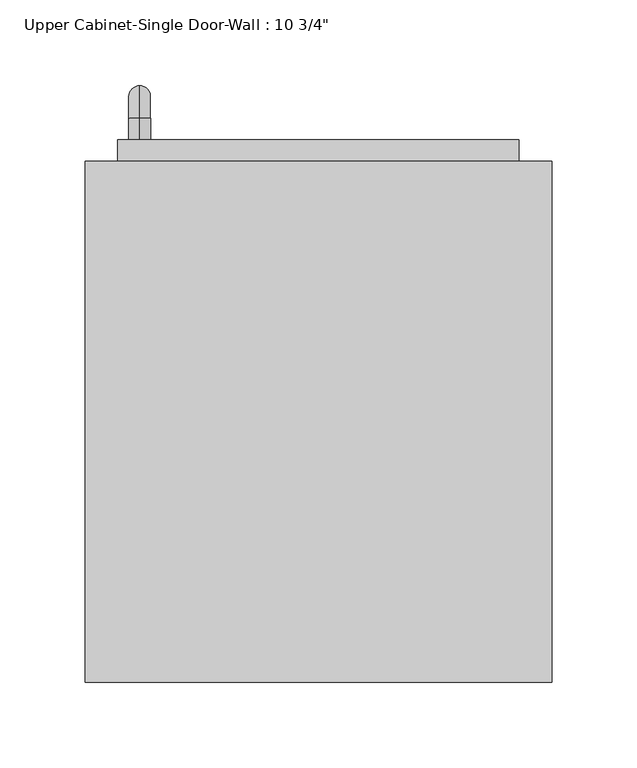
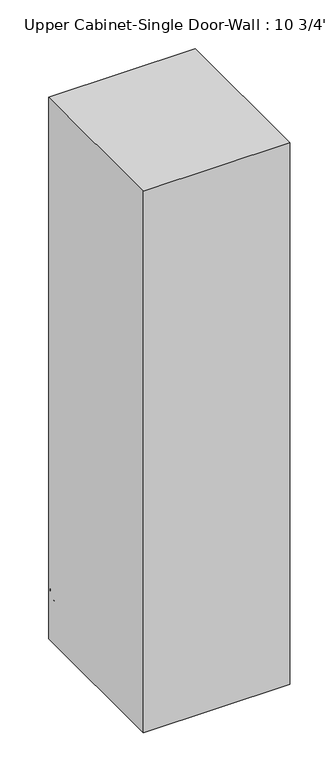
"""IFC4 building model written with IfcOpenShell, lengths in millimetres: furniture geometry."""

from ifc_helpers import new_model, si_unit, point, frame, origin, place, context, project, spatial, polyline, circle_curve, ellipse_curve, trimmed, outline, extrude, faceted_brep, source, transform, mapped, element, save
from ifc_brep_helpers import plane_surface, cylinder_surface, revolved_surface, advanced_brep


def furniture_6f75f09c(model_context):
    return source(origin(), model_context, "Body", "SolidModel", [
        faceted_brep([(-106.7538372, 53.975, 2133.6), (-106.7538372, 53.975, 1066.8), (166.2961628, 53.975, 1066.8), (166.2961628, 53.975, 2133.6), (-106.7538372, 358.775, 2133.6), (166.2961628, 358.775, 2133.6), (166.2961628, 358.775, 1066.8), (-106.7538372, 358.775, 1066.8), (-87.7038372, 358.775, 2114.55), (-87.7038372, 358.775, 1085.85), (147.2461628, 358.775, 1085.85), (147.2461628, 358.775, 2114.55), (147.2461628, 73.025, 2114.55), (-87.7038372, 73.025, 2114.55), (147.2461628, 73.025, 1085.85), (-87.7038372, 73.025, 1085.85)], [[[0, 1, 2, 3]], [[4, 5, 6, 7], [8, 9, 10, 11]], [[1, 0, 4, 7]], [[2, 1, 7, 6]], [[3, 2, 6, 5]], [[0, 3, 5, 4]], [[8, 11, 12, 13]], [[11, 10, 14, 12]], [[10, 9, 15, 14]], [[9, 8, 13, 15]], [[13, 12, 14, 15]]]),
        advanced_brep(
        [(-75.0038372, 371.475, 1212.85), (-75.0038372, 371.475, 1225.55), (-75.0038372, 384.175, 1212.85), (-75.0038372, 384.175, 1225.55), (-75.0038372, 403.225, 1206.5), (-75.0038372, 390.525, 1206.5), (-75.0038372, 390.525, 1130.3), (-75.0038372, 403.225, 1130.3), (-75.0038372, 384.175, 1111.25), (-75.0038372, 384.175, 1123.95), (-75.0038372, 371.475, 1123.95), (-75.0038372, 371.475, 1111.25)],
        [
            (0, 1, circle_curve(frame((-75.0038372, 371.475, 1219.2), z_axis=(0.0, -1.0, 0.0), x_axis=(0.0, 0.0, 1.0)), 6.35)),
            (1, 0, circle_curve(frame((-75.0038372, 371.475, 1219.2), z_axis=(0.0, -1.0, 0.0), x_axis=(0.0, 0.0, 1.0)), 6.35)),
            (0, 2),
            (2, 3, circle_curve(frame((-75.0038372, 384.175, 1219.2), z_axis=(0.0, -1.0, 0.0), x_axis=(0.0, 0.0, 1.0)), 6.35)),
            (3, 1),
            (3, 2, circle_curve(frame((-75.0038372, 384.175, 1219.2), z_axis=(0.0, -1.0, 0.0), x_axis=(0.0, 0.0, 1.0)), 6.35)),
            (4, 3, circle_curve(frame((-75.0038372, 384.175, 1206.5), z_axis=(1.0, 0.0, 0.0), x_axis=(0.0, 0.0, 1.0)), 19.05)),
            (2, 5, circle_curve(frame((-75.0038372, 384.175, 1206.5), z_axis=(-1.0, 0.0, 0.0), x_axis=(0.0, 0.0, 1.0)), 6.35)),
            (5, 4, circle_curve(frame((-75.0038372, 396.875, 1206.5), z_axis=(0.0, 0.0, 1.0), x_axis=(0.0, 1.0, 0.0)), 6.35)),
            (4, 5, circle_curve(frame((-75.0038372, 396.875, 1206.5), z_axis=(0.0, 0.0, 1.0), x_axis=(0.0, 1.0, 0.0)), 6.35)),
            (5, 6),
            (6, 7, circle_curve(frame((-75.0038372, 396.875, 1130.3), z_axis=(0.0, 0.0, 1.0), x_axis=(0.0, 1.0, 0.0)), 6.35)),
            (7, 4),
            (7, 6, circle_curve(frame((-75.0038372, 396.875, 1130.3), z_axis=(0.0, 0.0, 1.0), x_axis=(0.0, 1.0, 0.0)), 6.35)),
            (8, 7, circle_curve(frame((-75.0038372, 384.175, 1130.3), z_axis=(1.0, 0.0, 0.0), x_axis=(0.0, 1.0, 0.0)), 19.05)),
            (6, 9, circle_curve(frame((-75.0038372, 384.175, 1130.3), z_axis=(-1.0, 0.0, 0.0), x_axis=(0.0, 1.0, 0.0)), 6.35)),
            (9, 8, circle_curve(frame((-75.0038372, 384.175, 1117.6), z_axis=(0.0, 1.0, 0.0), x_axis=(0.0, 0.0, -1.0)), 6.35)),
            (8, 9, circle_curve(frame((-75.0038372, 384.175, 1117.6), z_axis=(0.0, 1.0, 0.0), x_axis=(0.0, 0.0, -1.0)), 6.35)),
            (10, 11, circle_curve(frame((-75.0038372, 371.475, 1117.6), z_axis=(0.0, -1.0, 0.0), x_axis=(0.0, 0.0, -1.0)), 6.35)),
            (11, 10, circle_curve(frame((-75.0038372, 371.475, 1117.6), z_axis=(0.0, -1.0, 0.0), x_axis=(0.0, 0.0, -1.0)), 6.35)),
            (9, 10),
            (11, 8),
        ],
        [
            plane_surface(frame((-81.3538372, 371.475, 1219.2), z_axis=(0.0, -1.0, 0.0), x_axis=(0.0, 0.0, 1.0))),
            cylinder_surface(frame((-75.0038372, 371.475, 1219.2), z_axis=(0.0, -1.0, 0.0), x_axis=(0.0, 0.0, 1.0)), 6.35),
            revolved_surface(trimmed(ellipse_curve(frame((-75.0038372, 384.175, 1219.2), z_axis=(0.0, -1.0, 0.0), x_axis=(0.0, 0.0, 1.0)), 6.35, 6.35), [point((-75.0038372, 384.175, 1212.85))], [point((-75.0038372, 384.175, 1225.55))], True, "CARTESIAN"), (-75.0038372, 384.175, 1206.5), (-1.0, 0.0, 0.0)),
            revolved_surface(trimmed(ellipse_curve(frame((-75.0038372, 384.175, 1219.2), z_axis=(0.0, -1.0, 0.0), x_axis=(0.0, 0.0, 1.0)), 6.35, 6.35), [point((-75.0038372, 384.175, 1225.55))], [point((-75.0038372, 384.175, 1212.85))], True, "CARTESIAN"), (-75.0038372, 384.175, 1206.5), (-1.0, 0.0, 0.0)),
            cylinder_surface(frame((-75.0038372, 396.875, 1206.5), z_axis=(0.0, 0.0, 1.0), x_axis=(0.0, 1.0, 0.0)), 6.35),
            revolved_surface(trimmed(ellipse_curve(frame((-75.0038372, 396.875, 1130.3), z_axis=(0.0, 0.0, 1.0), x_axis=(0.0, 1.0, 0.0)), 6.35, 6.35), [point((-75.0038372, 390.525, 1130.3))], [point((-75.0038372, 403.225, 1130.3))], True, "CARTESIAN"), (-75.0038372, 384.175, 1130.3), (-1.0, 0.0, 0.0)),
            revolved_surface(trimmed(ellipse_curve(frame((-75.0038372, 396.875, 1130.3), z_axis=(0.0, 0.0, 1.0), x_axis=(0.0, 1.0, 0.0)), 6.35, 6.35), [point((-75.0038372, 403.225, 1130.3))], [point((-75.0038372, 390.525, 1130.3))], True, "CARTESIAN"), (-75.0038372, 384.175, 1130.3), (-1.0, 0.0, 0.0)),
            plane_surface(frame((-81.3538372, 371.475, 1117.6), z_axis=(0.0, -1.0, 0.0), x_axis=(0.0, 0.0, -1.0))),
            cylinder_surface(frame((-75.0038372, 384.175, 1117.6), z_axis=(0.0, 1.0, 0.0), x_axis=(0.0, 0.0, -1.0)), 6.35),
        ],
        [
            (0, [[1, 2]]),
            (1, [[-1, 3, 4, 5]]),
            (1, [[-2, -5, 6, -3]]),
            (2, [[7, -4, 8, 9]]),
            (3, [[-8, -6, -7, 10]]),
            (4, [[-9, 11, 12, 13]]),
            (4, [[-10, -13, 14, -11]]),
            (5, [[15, -12, 16, 17]]),
            (6, [[-16, -14, -15, 18]]),
            (7, [[19, 20]]),
            (8, [[-17, 21, -20, 22]]),
            (8, [[-18, -22, -19, -21]]),
        ],
    ),
        extrude(outline(polyline([(-87.7038372, 371.475), (147.2461628, 371.475), (147.2461628, 339.725), (-87.7038372, 339.725), (-87.7038372, 371.475)])), frame((0.0, 0.0, 1085.85), z_axis=(0.0, 0.0, 1.0), x_axis=(1.0, 0.0, 0.0)), (0.0, 0.0, 1.0), 1028.7),
    ])


if __name__ == "__main__":
    model = new_model("IFC4")
    model_context = context("Model", 3, world=origin())
    ifc_project = project(units=[si_unit("LENGTHUNIT", "METRE", prefix="MILLI")], contexts=[model_context])
    site = spatial("IfcSite", under=ifc_project)
    building = spatial("IfcBuilding", under=site)
    placement = place(None, origin())
    furniture_shape = furniture_6f75f09c(model_context)
    element("IfcFurniture", 1, ObjectType="Upper Cabinet-Single Door-Wall : 10 3/4\"", at=placement, inside=building, context=model_context, shape_type="MappedRepresentation", body=[
        mapped(furniture_shape, transform((0.0, 0.0, 0.0), x_axis=(1.0, 0.0, 0.0), y_axis=(0.0, 1.0, 0.0), z_axis=(0.0, 0.0, 1.0))),
    ])
    save(model, "model.ifc")
